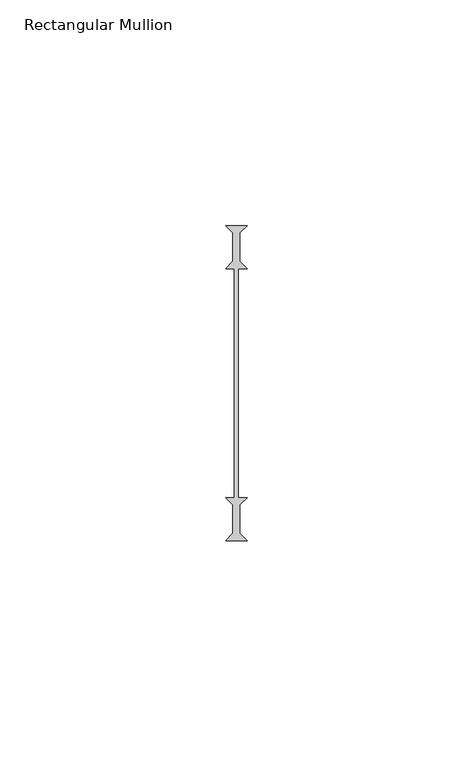
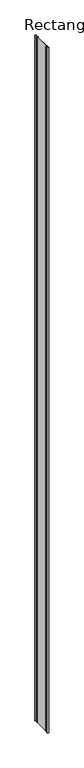
"""IFC4 building model written with IfcOpenShell, lengths in millimetres: member geometry, Rectangular Mullion."""

from ifc_helpers import new_model, si_unit, frame, origin, place, context, project, spatial, polyline, outline, extrude, source, transform, mapped, element, save


def rectangular_mullion_db1b117c(model_context):
    return source(origin(), model_context, "Body", "SweptSolid", [
        extrude(outline(polyline([(-2.38125, 34.925), (2.38125, 34.925), (0.79375, 33.3375), (0.79375, 26.9875), (2.38125, 25.4), (0.396875, 25.4), (0.396875, -25.4), (2.38125, -25.4), (0.79375, -26.9875), (0.79375, -33.3375), (2.38125, -34.925), (-2.38125, -34.925), (-0.79375, -33.3375), (-0.79375, -26.9875), (-2.38125, -25.4), (-0.396875, -25.4), (-0.396875, 25.4), (-2.38125, 25.4), (-0.79375, 26.9875), (-0.79375, 33.3375), (-2.38125, 34.925)])), frame((0.0, 0.0, -2336.8), z_axis=(0.0, 0.0, 1.0), x_axis=(1.0, 0.0, 0.0)), (0.0, 0.0, 1.0), 2336.8),
    ])


if __name__ == "__main__":
    model = new_model("IFC4")
    model_context = context("Model", 3, world=origin())
    ifc_project = project(units=[si_unit("LENGTHUNIT", "METRE", prefix="MILLI")], contexts=[model_context])
    site = spatial("IfcSite", under=ifc_project)
    building = spatial("IfcBuilding", under=site)
    placement = place(None, origin())
    rectangular_mullion_shape = rectangular_mullion_db1b117c(model_context)
    element("IfcMember", 1, ObjectType="Rectangular Mullion", at=placement, inside=building, context=model_context, shape_type="MappedRepresentation", body=[
        mapped(rectangular_mullion_shape, transform((0.0, 0.0, 0.0), x_axis=(1.0, 0.0, 0.0), y_axis=(0.0, 1.0, 0.0), z_axis=(0.0, 0.0, 1.0))),
    ])
    save(model, "model.ifc")
